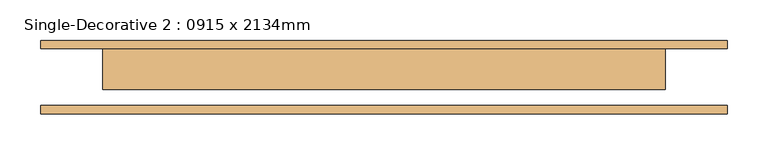
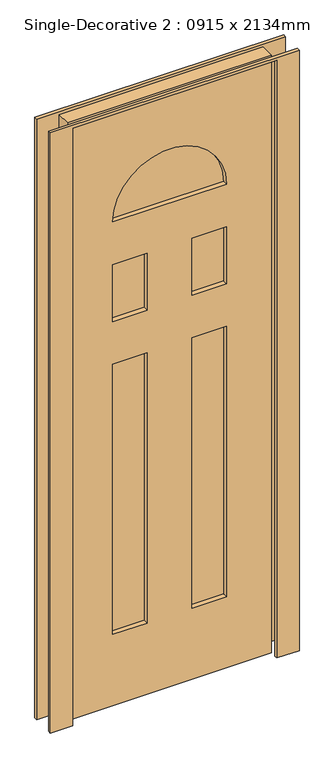
"""IFC4 building model written with IfcOpenShell, lengths in millimetres: door geometry, Single-Decorative 2 : 0915 x 2134mm."""

from ifc_helpers import new_model, si_unit, point, frame, frame_2d, origin, place, context, project, spatial, polyline, circle_curve, trimmed, segment, composite_curve, outline, extrude, source, transform, mapped, element, save


def single_decorative_2_0915_x_2134mm_12b4ef30(model_context):
    return source(origin(), model_context, "Body", "SweptSolid", [
        extrude(outline(polyline([(2134.0, 345.0), (2134.0, -345.0), (0.0, -345.0), (0.0, 345.0), (2134.0, 345.0)]), holes=[polyline([(1219.3, -76.2), (254.0, -76.2), (254.0, -192.6), (1219.3, -192.6), (1219.3, -76.2)]), polyline([(1219.3, 192.6), (254.0, 192.6), (254.0, 76.2), (1219.3, 76.2), (1219.3, 192.6)]), polyline([(1371.7, -76.2), (1371.7, -192.6), (1574.9, -192.6), (1574.9, -76.2), (1371.7, -76.2)]), polyline([(1574.9, 76.2), (1574.9, 192.6), (1371.7, 192.6), (1371.7, 76.2), (1574.9, 76.2)]), composite_curve([segment(polyline([(1727.3, 192.6), (1727.3, -192.6)]), True, "CONTINUOUS"), segment(trimmed(circle_curve(frame_2d((1727.3, 0.0)), 192.6), [point((1727.3, -192.6))], [point((1727.3, 192.6))], True, "CARTESIAN"), True, "CONTINUOUS")], self_intersect=False)]), frame((0.0, -15.0, 0.0), z_axis=(0.0, 1.0, 0.0), x_axis=(0.0, 0.0, 1.0)), (0.0, 0.0, 1.0), 50.0),
        extrude(outline(polyline([(0.0, 345.0), (0.0, 421.0), (2144.0, 421.0), (2144.0, -421.0), (0.0, -421.0), (0.0, -345.0), (2134.0, -345.0), (2134.0, 345.0), (0.0, 345.0)])), frame((0.0, -45.0, 0.0), z_axis=(0.0, 1.0, 0.0), x_axis=(0.0, 0.0, 1.0)), (0.0, 0.0, 1.0), 10.0),
        extrude(outline(polyline([(2144.0, -421.0), (0.0, -421.0), (0.0, -345.0), (2134.0, -345.0), (2134.0, 345.0), (0.0, 345.0), (0.0, 421.0), (2144.0, 421.0), (2144.0, -421.0)])), frame((0.0, 35.0, 0.0), z_axis=(0.0, 1.0, 0.0), x_axis=(0.0, 0.0, 1.0)), (0.0, 0.0, 1.0), 10.0),
        extrude(outline(composite_curve([segment(trimmed(circle_curve(frame_2d((1727.3, 0.0)), 192.6), [point((1727.3, 192.6))], [point((1727.3, -192.6))], False, "CARTESIAN"), True, "CONTINUOUS"), segment(polyline([(1727.3, -192.6), (1727.3, 192.6)]), True, "CONTINUOUS")], self_intersect=False)), frame((0.0, 1.6666667, 0.0), z_axis=(0.0, 1.0, 0.0), x_axis=(0.0, 0.0, 1.0)), (0.0, 0.0, 1.0), 16.6666667),
        extrude(outline(polyline([(-192.6, 18.3333333), (-76.2, 18.3333333), (-76.2, 1.6666667), (-192.6, 1.6666667), (-192.6, 18.3333333)])), frame((0.0, 0.0, 254.0), z_axis=(0.0, 0.0, 1.0), x_axis=(1.0, 0.0, 0.0)), (0.0, 0.0, 1.0), 965.3),
        extrude(outline(polyline([(76.2, 18.3333333), (192.6, 18.3333333), (192.6, 1.6666667), (76.2, 1.6666667), (76.2, 18.3333333)])), frame((0.0, 0.0, 254.0), z_axis=(0.0, 0.0, 1.0), x_axis=(1.0, 0.0, 0.0)), (0.0, 0.0, 1.0), 965.3),
        extrude(outline(polyline([(76.2, 18.3333333), (192.6, 18.3333333), (192.6, 1.6666667), (76.2, 1.6666667), (76.2, 18.3333333)])), frame((0.0, 0.0, 1371.7), z_axis=(0.0, 0.0, 1.0), x_axis=(1.0, 0.0, 0.0)), (0.0, 0.0, 1.0), 203.2),
        extrude(outline(polyline([(-192.6, 18.3333333), (-76.2, 18.3333333), (-76.2, 1.6666667), (-192.6, 1.6666667), (-192.6, 18.3333333)])), frame((0.0, 0.0, 1371.7), z_axis=(0.0, 0.0, 1.0), x_axis=(1.0, 0.0, 0.0)), (0.0, 0.0, 1.0), 203.2),
    ])


if __name__ == "__main__":
    model = new_model("IFC4")
    model_context = context("Model", 3, world=origin())
    ifc_project = project(units=[si_unit("LENGTHUNIT", "METRE", prefix="MILLI")], contexts=[model_context])
    site = spatial("IfcSite", under=ifc_project)
    building = spatial("IfcBuilding", under=site)
    placement = place(None, origin())
    single_decorative_2_0915_x_2134mm_shape = single_decorative_2_0915_x_2134mm_12b4ef30(model_context)
    element("IfcDoor", 1, ObjectType="Single-Decorative 2 : 0915 x 2134mm", at=placement, inside=building, context=model_context, shape_type="MappedRepresentation", body=[
        mapped(single_decorative_2_0915_x_2134mm_shape, transform((0.0, 0.0, 0.0), x_axis=(1.0, 0.0, 0.0), y_axis=(0.0, 1.0, 0.0), z_axis=(0.0, 0.0, 1.0))),
    ])
    save(model, "model.ifc")
